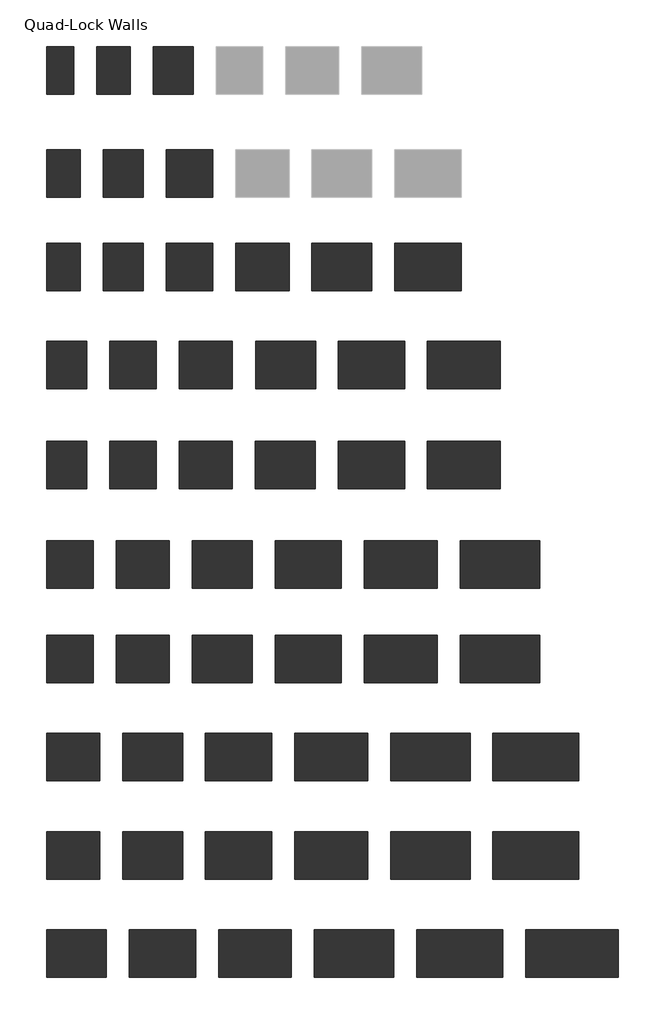
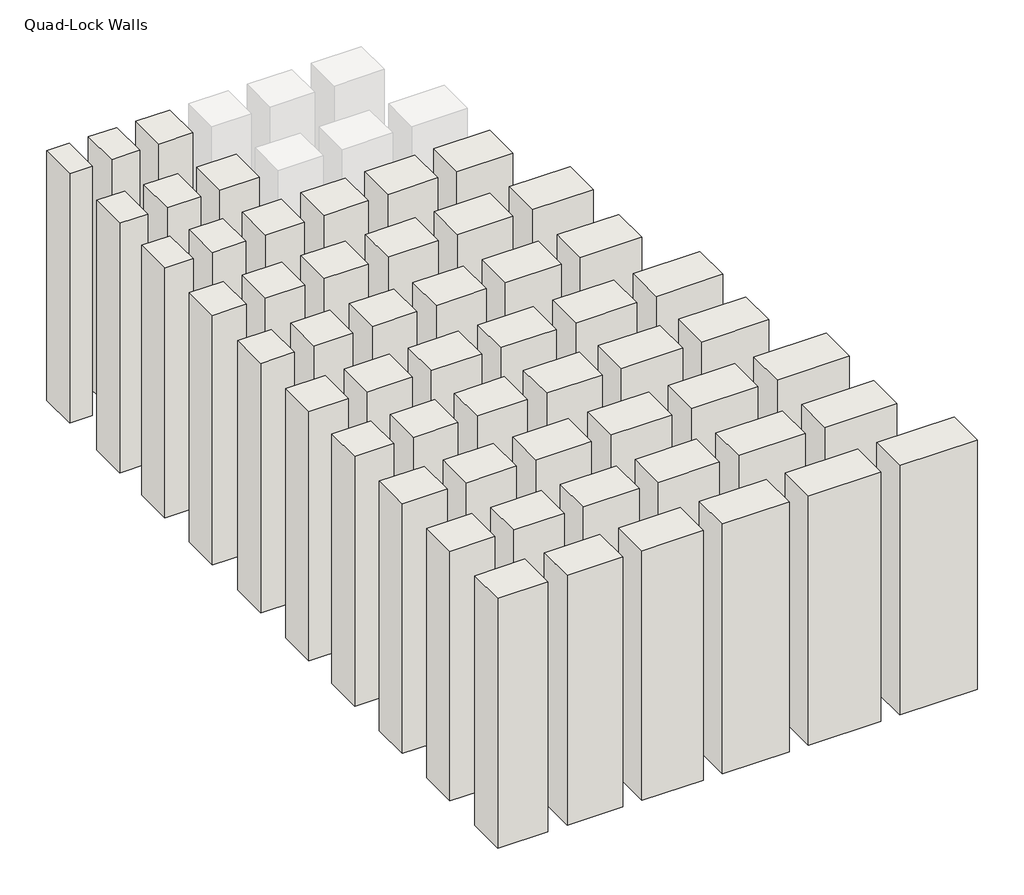
# One storey, part 1 of 2: 54 walls.
"""IFC4 building model written with IfcOpenShell, lengths in millimetres."""

from ifc_helpers import new_model, si_unit, origin, origin_with_axes, place, context, project, spatial, polyline, outline, extrude, element, save

model = new_model("IFC4")

# Units and contexts
model_context = context("Model", 3, world=origin())
ifc_project = project(units=[si_unit("LENGTHUNIT", "METRE", prefix="MILLI")], contexts=[model_context])

# Site, building, storey
site = spatial("IfcSite", under=ifc_project)
building = spatial("IfcBuilding", under=site)
storey = spatial("IfcBuildingStorey", under=building, Name="Quad-Lock Walls", Elevation=0.0)

# Walls
placement = place(None, origin())
element("IfcWall", 1, at=placement, inside=storey, context=model_context, shape_type="SweptSolid", body=[
    extrude(outline(polyline([(-3259.1237403, 245.0746822), (-3259.1237403, 613.3746822), (-2947.9737403, 613.3746822), (-2947.9737403, 245.0746822), (-3259.1237403, 245.0746822)])), origin_with_axes(), (0.0, 0.0, 1.0), 2438.4),
])
element("IfcWall", 2, at=placement, inside=storey, context=model_context, shape_type="SweptSolid", body=[
    extrude(outline(polyline([(-2770.1737403, 245.0746822), (-2770.1737403, 613.3746822), (-2408.2237403, 613.3746822), (-2408.2237403, 245.0746822), (-2770.1737403, 245.0746822)])), origin_with_axes(), (0.0, 0.0, 1.0), 2438.4),
])
element("IfcWall", 3, at=placement, inside=storey, context=model_context, shape_type="SweptSolid", body=[
    extrude(outline(polyline([(-2230.4237403, 245.0746822), (-2230.4237403, 613.3746822), (-1817.6737403, 613.3746822), (-1817.6737403, 245.0746822), (-2230.4237403, 245.0746822)])), origin_with_axes(), (0.0, 0.0, 1.0), 2438.4),
])
element("IfcWall", 4, at=placement, inside=storey, context=model_context, shape_type="SweptSolid", body=[
    extrude(outline(polyline([(-1639.8737403, 245.0746822), (-1639.8737403, 613.3746822), (-1176.3237403, 613.3746822), (-1176.3237403, 245.0746822), (-1639.8737403, 245.0746822)])), origin_with_axes(), (0.0, 0.0, 1.0), 2438.4),
])
element("IfcWall", 5, at=placement, inside=storey, context=model_context, shape_type="SweptSolid", body=[
    extrude(outline(polyline([(-998.5237403, 245.0746822), (-998.5237403, 613.3746822), (-484.1737403, 613.3746822), (-484.1737403, 245.0746822), (-998.5237403, 245.0746822)])), origin_with_axes(), (0.0, 0.0, 1.0), 2438.4),
])
element("IfcWall", 6, at=placement, inside=storey, context=model_context, shape_type="SweptSolid", body=[
    extrude(outline(polyline([(-306.3737403, 245.0746822), (-306.3737403, 613.3746822), (258.7762597, 613.3746822), (258.7762597, 245.0746822), (-306.3737403, 245.0746822)])), origin_with_axes(), (0.0, 0.0, 1.0), 2438.4),
])
element("IfcWall", 7, at=placement, inside=storey, context=model_context, shape_type="SweptSolid", body=[
    extrude(outline(polyline([(-3259.1237403, -1258.9965916), (-3259.1237403, -890.6965916), (-2897.1737403, -890.6965916), (-2897.1737403, -1258.9965916), (-3259.1237403, -1258.9965916)])), origin_with_axes(), (0.0, 0.0, 1.0), 2438.4),
])
element("IfcWall", 8, at=placement, inside=storey, context=model_context, shape_type="SweptSolid", body=[
    extrude(outline(polyline([(-2719.3737403, -1258.9965916), (-2719.3737403, -890.6965916), (-2306.6237403, -890.6965916), (-2306.6237403, -1258.9965916), (-2719.3737403, -1258.9965916)])), origin_with_axes(), (0.0, 0.0, 1.0), 2438.4),
])
element("IfcWall", 9, at=placement, inside=storey, context=model_context, shape_type="SweptSolid", body=[
    extrude(outline(polyline([(-2128.8237403, -1258.9965916), (-2128.8237403, -890.6965916), (-1665.2737403, -890.6965916), (-1665.2737403, -1258.9965916), (-2128.8237403, -1258.9965916)])), origin_with_axes(), (0.0, 0.0, 1.0), 2438.4),
])
element("IfcWall", 10, at=placement, inside=storey, context=model_context, shape_type="SweptSolid", body=[
    extrude(outline(polyline([(-1487.4737403, -1258.9965916), (-1487.4737403, -890.6965916), (-973.1237403, -890.6965916), (-973.1237403, -1258.9965916), (-1487.4737403, -1258.9965916)])), origin_with_axes(), (0.0, 0.0, 1.0), 2438.4),
])
element("IfcWall", 11, at=placement, inside=storey, context=model_context, shape_type="SweptSolid", body=[
    extrude(outline(polyline([(-795.3237403, -1258.9965916), (-795.3237403, -890.6965916), (-230.1737403, -890.6965916), (-230.1737403, -1258.9965916), (-795.3237403, -1258.9965916)])), origin_with_axes(), (0.0, 0.0, 1.0), 2438.4),
])
element("IfcWall", 12, at=placement, inside=storey, context=model_context, shape_type="SweptSolid", body=[
    extrude(outline(polyline([(-52.3737403, -1258.9965916), (-52.3737403, -890.6965916), (563.5762597, -890.6965916), (563.5762597, -1258.9965916), (-52.3737403, -1258.9965916)])), origin_with_axes(), (0.0, 0.0, 1.0), 2438.4),
])
element("IfcWall", 13, at=placement, inside=storey, context=model_context, shape_type="SweptSolid", body=[
    extrude(outline(polyline([(-3259.1237403, -2020.9965916), (-3259.1237403, -1652.6965916), (-2846.3737403, -1652.6965916), (-2846.3737403, -2020.9965916), (-3259.1237403, -2020.9965916)])), origin_with_axes(), (0.0, 0.0, 1.0), 2438.4),
])
element("IfcWall", 14, at=placement, inside=storey, context=model_context, shape_type="SweptSolid", body=[
    extrude(outline(polyline([(-2668.5737403, -2020.9965916), (-2668.5737403, -1652.6965916), (-2205.0237403, -1652.6965916), (-2205.0237403, -2020.9965916), (-2668.5737403, -2020.9965916)])), origin_with_axes(), (0.0, 0.0, 1.0), 2438.4),
])
element("IfcWall", 15, at=placement, inside=storey, context=model_context, shape_type="SweptSolid", body=[
    extrude(outline(polyline([(-1335.0737403, -2020.9965916), (-1335.0737403, -1652.6965916), (-769.9237403, -1652.6965916), (-769.9237403, -2020.9965916), (-1335.0737403, -2020.9965916)])), origin_with_axes(), (0.0, 0.0, 1.0), 2438.4),
])
element("IfcWall", 16, at=placement, inside=storey, context=model_context, shape_type="SweptSolid", body=[
    extrude(outline(polyline([(-592.1237403, -2020.9965916), (-592.1237403, -1652.6965916), (23.8262597, -1652.6965916), (23.8262597, -2020.9965916), (-592.1237403, -2020.9965916)])), origin_with_axes(), (0.0, 0.0, 1.0), 2438.4),
])
element("IfcWall", 17, at=placement, inside=storey, context=model_context, shape_type="SweptSolid", body=[
    extrude(outline(polyline([(201.6262597, -2020.9965916), (201.6262597, -1652.6965916), (868.3762597, -1652.6965916), (868.3762597, -2020.9965916), (201.6262597, -2020.9965916)])), origin_with_axes(), (0.0, 0.0, 1.0), 2438.4),
])
element("IfcWall", 18, at=placement, inside=storey, context=model_context, shape_type="SweptSolid", body=[
    extrude(outline(polyline([(-3259.1237403, -2782.9965916), (-3259.1237403, -2414.6965916), (-2846.3737403, -2414.6965916), (-2846.3737403, -2782.9965916), (-3259.1237403, -2782.9965916)])), origin_with_axes(), (0.0, 0.0, 1.0), 2438.4),
])
element("IfcWall", 19, at=placement, inside=storey, context=model_context, shape_type="SweptSolid", body=[
    extrude(outline(polyline([(-2668.5737403, -2782.9965916), (-2668.5737403, -2414.6965916), (-2205.0237403, -2414.6965916), (-2205.0237403, -2782.9965916), (-2668.5737403, -2782.9965916)])), origin_with_axes(), (0.0, 0.0, 1.0), 2438.4),
])
element("IfcWall", 20, at=placement, inside=storey, context=model_context, shape_type="SweptSolid", body=[
    extrude(outline(polyline([(-1335.0737403, -2782.9965916), (-1335.0737403, -2414.6965916), (-769.9237403, -2414.6965916), (-769.9237403, -2782.9965916), (-1335.0737403, -2782.9965916)])), origin_with_axes(), (0.0, 0.0, 1.0), 2438.4),
])
element("IfcWall", 21, at=placement, inside=storey, context=model_context, shape_type="SweptSolid", body=[
    extrude(outline(polyline([(-592.1237403, -2782.9965916), (-592.1237403, -2414.6965916), (23.8262597, -2414.6965916), (23.8262597, -2782.9965916), (-592.1237403, -2782.9965916)])), origin_with_axes(), (0.0, 0.0, 1.0), 2438.4),
])
element("IfcWall", 22, at=placement, inside=storey, context=model_context, shape_type="SweptSolid", body=[
    extrude(outline(polyline([(201.6262597, -2782.9965916), (201.6262597, -2414.6965916), (868.3762597, -2414.6965916), (868.3762597, -2782.9965916), (201.6262597, -2782.9965916)])), origin_with_axes(), (0.0, 0.0, 1.0), 2438.4),
])
element("IfcWall", 23, at=placement, inside=storey, context=model_context, shape_type="SweptSolid", body=[
    extrude(outline(polyline([(-2027.2237403, -2020.9965916), (-2027.2237403, -1652.6965916), (-1512.8737403, -1652.6965916), (-1512.8737403, -2020.9965916), (-2027.2237403, -2020.9965916)])), origin_with_axes(), (0.0, 0.0, 1.0), 2438.4),
])
element("IfcWall", 24, at=placement, inside=storey, context=model_context, shape_type="SweptSolid", body=[
    extrude(outline(polyline([(-2027.2237403, -2782.9965916), (-2027.2237403, -2414.6965916), (-1512.8737403, -2414.6965916), (-1512.8737403, -2782.9965916), (-2027.2237403, -2782.9965916)])), origin_with_axes(), (0.0, 0.0, 1.0), 2438.4),
])
element("IfcWall", 25, at=placement, inside=storey, context=model_context, shape_type="SweptSolid", body=[
    extrude(outline(polyline([(-3259.1237403, -526.8896809), (-3259.1237403, -158.5896809), (-2897.1737403, -158.5896809), (-2897.1737403, -526.8896809), (-3259.1237403, -526.8896809)])), origin_with_axes(), (0.0, 0.0, 1.0), 2438.4),
])
element("IfcWall", 26, at=placement, inside=storey, context=model_context, shape_type="SweptSolid", body=[
    extrude(outline(polyline([(-2719.3737403, -526.8896809), (-2719.3737403, -158.5896809), (-2306.6237403, -158.5896809), (-2306.6237403, -526.8896809), (-2719.3737403, -526.8896809)])), origin_with_axes(), (0.0, 0.0, 1.0), 2438.4),
])
element("IfcWall", 27, at=placement, inside=storey, context=model_context, shape_type="SweptSolid", body=[
    extrude(outline(polyline([(-2128.8237403, -526.8896809), (-2128.8237403, -158.5896809), (-1665.2737403, -158.5896809), (-1665.2737403, -526.8896809), (-2128.8237403, -526.8896809)])), origin_with_axes(), (0.0, 0.0, 1.0), 2438.4),
])
element("IfcWall", 28, at=placement, inside=storey, context=model_context, shape_type="SweptSolid", body=[
    extrude(outline(polyline([(-1487.4737403, -526.8896809), (-1487.4737403, -158.5896809), (-973.1237403, -158.5896809), (-973.1237403, -526.8896809), (-1487.4737403, -526.8896809)])), origin_with_axes(), (0.0, 0.0, 1.0), 2438.4),
])
element("IfcWall", 29, at=placement, inside=storey, context=model_context, shape_type="SweptSolid", body=[
    extrude(outline(polyline([(-795.3237403, -526.8896809), (-795.3237403, -158.5896809), (-230.1737403, -158.5896809), (-230.1737403, -526.8896809), (-795.3237403, -526.8896809)])), origin_with_axes(), (0.0, 0.0, 1.0), 2438.4),
])
element("IfcWall", 30, at=placement, inside=storey, context=model_context, shape_type="SweptSolid", body=[
    extrude(outline(polyline([(-52.3737403, -526.8896809), (-52.3737403, -158.5896809), (563.5762597, -158.5896809), (563.5762597, -526.8896809), (-52.3737403, -526.8896809)])), origin_with_axes(), (0.0, 0.0, 1.0), 2438.4),
])
element("IfcWall", 31, at=placement, inside=storey, context=model_context, shape_type="SweptSolid", body=[
    extrude(outline(polyline([(-3259.1237403, -3544.9965916), (-3259.1237403, -3176.6965916), (-2795.5737403, -3176.6965916), (-2795.5737403, -3544.9965916), (-3259.1237403, -3544.9965916)])), origin_with_axes(), (0.0, 0.0, 1.0), 2438.4),
])
element("IfcWall", 32, at=placement, inside=storey, context=model_context, shape_type="SweptSolid", body=[
    extrude(outline(polyline([(-2617.7737403, -3544.9965916), (-2617.7737403, -3176.6965916), (-2103.4237403, -3176.6965916), (-2103.4237403, -3544.9965916), (-2617.7737403, -3544.9965916)])), origin_with_axes(), (0.0, 0.0, 1.0), 2438.4),
])
element("IfcWall", 33, at=placement, inside=storey, context=model_context, shape_type="SweptSolid", body=[
    extrude(outline(polyline([(-1925.6237403, -3544.9965916), (-1925.6237403, -3176.6965916), (-1360.4737403, -3176.6965916), (-1360.4737403, -3544.9965916), (-1925.6237403, -3544.9965916)])), origin_with_axes(), (0.0, 0.0, 1.0), 2438.4),
])
element("IfcWall", 34, at=placement, inside=storey, context=model_context, shape_type="SweptSolid", body=[
    extrude(outline(polyline([(-1182.6737403, -3544.9965916), (-1182.6737403, -3176.6965916), (-566.7237403, -3176.6965916), (-566.7237403, -3544.9965916), (-1182.6737403, -3544.9965916)])), origin_with_axes(), (0.0, 0.0, 1.0), 2438.4),
])
element("IfcWall", 35, at=placement, inside=storey, context=model_context, shape_type="SweptSolid", body=[
    extrude(outline(polyline([(-388.9237403, -3544.9965916), (-388.9237403, -3176.6965916), (277.8262597, -3176.6965916), (277.8262597, -3544.9965916), (-388.9237403, -3544.9965916)])), origin_with_axes(), (0.0, 0.0, 1.0), 2438.4),
])
element("IfcWall", 36, at=placement, inside=storey, context=model_context, shape_type="SweptSolid", body=[
    extrude(outline(polyline([(455.6262597, -3544.9965916), (455.6262597, -3176.6965916), (1173.1762597, -3176.6965916), (1173.1762597, -3544.9965916), (455.6262597, -3544.9965916)])), origin_with_axes(), (0.0, 0.0, 1.0), 2438.4),
])
element("IfcWall", 37, ObjectType="Quad-Lock U-0.15 (108mm EPS + 146mm Conc. + 108mm EPS)", at=placement, inside=storey, context=model_context, shape_type="SweptSolid", body=[
    extrude(outline(polyline([(-2770.1737403, 1017.0390453), (-2770.1737403, 1385.3390453), (-2408.2237403, 1385.3390453), (-2408.2237403, 1017.0390453), (-2770.1737403, 1017.0390453)])), origin_with_axes(), (0.0, 0.0, 1.0), 2438.4),
])
element("IfcWall", 38, ObjectType="Quad-Lock U-0.15 (108mm EPS + 197mm Conc. + 108mm EPS)", at=placement, inside=storey, context=model_context, shape_type="SweptSolid", body=[
    extrude(outline(polyline([(-2232.1518529, 1017.0390453), (-2232.1518529, 1385.3390453), (-1819.4018529, 1385.3390453), (-1819.4018529, 1017.0390453), (-2232.1518529, 1017.0390453)])), origin_with_axes(), (0.0, 0.0, 1.0), 2438.4),
])
element("IfcWall", 39, ObjectType="Quad-Lock U-0.15 (108mm EPS + 248mm Conc. + 108mm EPS)", at=placement, inside=storey, context=model_context, shape_type="SweptSolid", body=[
    extrude(outline(polyline([(-1636.7697839, 1017.0390453), (-1636.7697839, 1385.3390453), (-1173.2197839, 1385.3390453), (-1173.2197839, 1017.0390453), (-1636.7697839, 1017.0390453)])), origin_with_axes(), (0.0, 0.0, 1.0), 2438.4),
])
element("IfcWall", 40, ObjectType="Quad-Lock U-0.15 (108mm EPS + 298mm Conc. + 108mm EPS)", at=placement, inside=storey, context=model_context, shape_type="SweptSolid", body=[
    extrude(outline(polyline([(-998.5237403, 1017.0390453), (-998.5237403, 1385.3390453), (-484.1737403, 1385.3390453), (-484.1737403, 1017.0390453), (-998.5237403, 1017.0390453)])), origin_with_axes(), (0.0, 0.0, 1.0), 2438.4),
])
element("IfcWall", 41, ObjectType="Quad-Lock U-0.15 (108mm EPS + 349mm Conc. + 108mm EPS)", at=placement, inside=storey, context=model_context, shape_type="SweptSolid", body=[
    extrude(outline(polyline([(-306.3737403, 1017.0390453), (-306.3737403, 1385.3390453), (258.7762597, 1385.3390453), (258.7762597, 1017.0390453), (-306.3737403, 1017.0390453)])), origin_with_axes(), (0.0, 0.0, 1.0), 2438.4),
])
element("IfcWall", 42, ObjectType="Quad-Lock U-0.15 (108mm EPS + 95mm Conc. + 108mm EPS)", at=placement, inside=storey, context=model_context, shape_type="SweptSolid", body=[
    extrude(outline(polyline([(-3259.1237403, 1017.0390453), (-3259.1237403, 1385.3390453), (-2947.9737403, 1385.3390453), (-2947.9737403, 1017.0390453), (-3259.1237403, 1017.0390453)])), origin_with_axes(), (0.0, 0.0, 1.0), 2438.4),
])
element("IfcWall", 43, ObjectType="Quad-Lock U-0.20 (57mm EPS + 146mm Conc. + 108mm EPS)", at=placement, inside=storey, context=model_context, shape_type="SweptSolid", body=[
    extrude(outline(polyline([(-2821.3560312, 1779.0390453), (-2821.3560312, 2147.3390453), (-2510.2060312, 2147.3390453), (-2510.2060312, 1779.0390453), (-2821.3560312, 1779.0390453)])), origin_with_axes(), (0.0, 0.0, 1.0), 2438.4),
])
element("IfcWall", 44, ObjectType="Quad-Lock U-0.20 (57mm EPS + 197mm Conc. + 108mm EPS)", at=placement, inside=storey, context=model_context, shape_type="SweptSolid", body=[
    extrude(outline(polyline([(-2332.0237403, 1779.0390453), (-2332.0237403, 2147.3390453), (-1970.0737403, 2147.3390453), (-1970.0737403, 1779.0390453), (-2332.0237403, 1779.0390453)])), origin_with_axes(), (0.0, 0.0, 1.0), 2438.4),
])
element("IfcWall", 45, ObjectType="Quad-Lock U-0.20 (57mm EPS + 349mm Conc. + 108mm EPS)", at=placement, inside=storey, context=model_context, shape_type="SweptSolid", body=[
    extrude(outline(polyline([(-560.3737403, 1779.0390453), (-560.3737403, 2147.3390453), (-46.0237403, 2147.3390453), (-46.0237403, 1779.0390453), (-560.3737403, 1779.0390453)])), origin_with_axes(), (0.0, 0.0, 1.0), 2438.4),
])
element("IfcWall", 46, ObjectType="Quad-Lock U-0.20 (57mm EPS + 95mm Conc. + 108mm EPS)", at=placement, inside=storey, context=model_context, shape_type="SweptSolid", body=[
    extrude(outline(polyline([(-3259.1237403, 1779.0390453), (-3259.1237403, 2147.3390453), (-2998.7737403, 2147.3390453), (-2998.7737403, 1779.0390453), (-3259.1237403, 1779.0390453)])), origin_with_axes(), (0.0, 0.0, 1.0), 2438.4),
])
element("IfcWall", 47, ObjectType="Quad-Lock U-0.20 (57mm EPS +248mm Conc. + 108mm EPS)", at=placement, inside=storey, context=model_context, shape_type="SweptSolid", body=[
    extrude(outline(polyline([(-1792.2737403, 1779.0390453), (-1792.2737403, 2147.3390453), (-1379.5237403, 2147.3390453), (-1379.5237403, 1779.0390453), (-1792.2737403, 1779.0390453)])), origin_with_axes(), (0.0, 0.0, 1.0), 2438.4),
])
element("IfcWall", 48, ObjectType="Quad-Lock U-0.20 (57mm EPS +298mm Conc. + 108mm EPS)", at=placement, inside=storey, context=model_context, shape_type="SweptSolid", body=[
    extrude(outline(polyline([(-1201.7237403, 1779.0390453), (-1201.7237403, 2147.3390453), (-738.1737403, 2147.3390453), (-738.1737403, 1779.0390453), (-1201.7237403, 1779.0390453)])), origin_with_axes(), (0.0, 0.0, 1.0), 2438.4),
])
element("IfcWall", 49, ObjectType="Quad-Lock U-0.21 (79mm EPS + 102mm Conc. + 79mm EPS)", at=placement, inside=storey, context=model_context, shape_type="SweptSolid", body=[
    extrude(outline(polyline([(-2998.7737403, 2871.2390453), (-2998.7737403, 2502.9390453), (-3259.1237403, 2502.9390453), (-3259.1237403, 2871.2390453), (-2998.7737403, 2871.2390453)])), origin_with_axes(), (0.0, 0.0, 1.0), 2438.4),
])
element("IfcWall", 50, ObjectType="Quad-Lock U-0.21 (79mm EPS + 152mm Conc. + 79mm EPS)", at=placement, inside=storey, context=model_context, shape_type="SweptSolid", body=[
    extrude(outline(polyline([(-2509.8237403, 2871.2390453), (-2509.8237403, 2502.9390453), (-2820.9737403, 2502.9390453), (-2820.9737403, 2871.2390453), (-2509.8237403, 2871.2390453)])), origin_with_axes(), (0.0, 0.0, 1.0), 2438.4),
])
element("IfcWall", 51, ObjectType="Quad-Lock U-0.21 (79mm EPS + 203mm Conc. + 79mm EPS)", at=placement, inside=storey, context=model_context, shape_type="SweptSolid", body=[
    extrude(outline(polyline([(-1970.0737403, 2871.2390453), (-1970.0737403, 2502.9390453), (-2332.0237403, 2502.9390453), (-2332.0237403, 2871.2390453), (-1970.0737403, 2871.2390453)])), origin_with_axes(), (0.0, 0.0, 1.0), 2438.4),
])
element("IfcWall", 52, ObjectType="Quad-Lock U-0.28 (57mm EPS + 146mm Conc. + 57mm EPS)", at=placement, inside=storey, context=model_context, shape_type="SweptSolid", body=[
    extrude(outline(polyline([(-2871.7737403, 3303.0390453), (-2871.7737403, 3671.3390453), (-2611.4237403, 3671.3390453), (-2611.4237403, 3303.0390453), (-2871.7737403, 3303.0390453)])), origin_with_axes(), (0.0, 0.0, 1.0), 2438.4),
])
element("IfcWall", 53, ObjectType="Quad-Lock U-0.28 (57mm EPS + 197mm Conc. + 57mm EPS)", at=placement, inside=storey, context=model_context, shape_type="SweptSolid", body=[
    extrude(outline(polyline([(-2433.6237403, 3303.0390453), (-2433.6237403, 3671.3390453), (-2122.4737403, 3671.3390453), (-2122.4737403, 3303.0390453), (-2433.6237403, 3303.0390453)])), origin_with_axes(), (0.0, 0.0, 1.0), 2438.4),
])
element("IfcWall", 54, ObjectType="Quad-Lock U-0.28 (57mm EPS + 95mm Conc. + 57mm EPS)", at=placement, inside=storey, context=model_context, shape_type="SweptSolid", body=[
    extrude(outline(polyline([(-3259.1237403, 3303.0390453), (-3259.1237403, 3671.3390453), (-3049.5737403, 3671.3390453), (-3049.5737403, 3303.0390453), (-3259.1237403, 3303.0390453)])), origin_with_axes(), (0.0, 0.0, 1.0), 2438.4),
])

save(model, "model.ifc")
